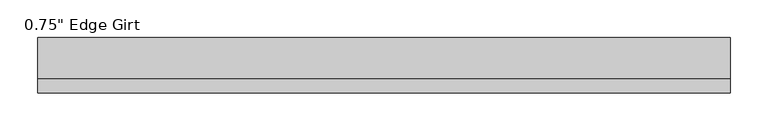
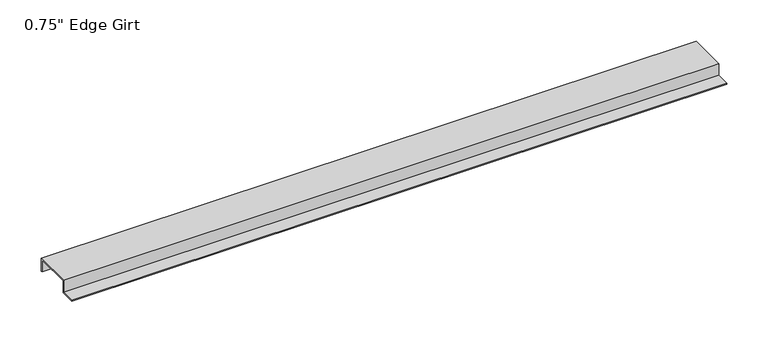
"""IFC4 building model written with IfcOpenShell, lengths in millimetres: proxy geometry."""

from ifc_helpers import new_model, si_unit, frame, origin, place, context, project, spatial, polyline, outline, extrude, source, transform, mapped, element, save


def proxy_ca95f9a0(model_context):
    return source(origin(), model_context, "Body", "SweptSolid", [
        extrude(outline(polyline([(-46.0559645, -17.4375), (-46.0559645, -15.8242), (-27.0129, -15.8242), (-27.0129, 1.6129), (27.0129, 1.6129), (27.0129, -17.4375), (25.4, -17.4375), (25.4, 0.0), (-25.4, 0.0), (-25.4, -17.4375), (-46.0559645, -17.4375)])), frame((0.0, 0.0, 0.0), z_axis=(1.0, 0.0, 0.0), x_axis=(0.0, 1.0, 0.0)), (0.0, 0.0, 1.0), 914.4),
    ])


if __name__ == "__main__":
    model = new_model("IFC4")
    model_context = context("Model", 3, world=origin())
    ifc_project = project(units=[si_unit("LENGTHUNIT", "METRE", prefix="MILLI")], contexts=[model_context])
    site = spatial("IfcSite", under=ifc_project)
    building = spatial("IfcBuilding", under=site)
    placement = place(None, origin())
    proxy_shape = proxy_ca95f9a0(model_context)
    element("IfcBuildingElementProxy", 1, Name="0.75\" Edge Girt", ObjectType="0.75\" Edge Girt", at=placement, inside=building, context=model_context, shape_type="MappedRepresentation", body=[
        mapped(proxy_shape, transform((0.0, 0.0, 0.0), x_axis=(1.0, 0.0, 0.0), y_axis=(0.0, 1.0, 0.0), z_axis=(0.0, 0.0, 1.0))),
    ])
    save(model, "model.ifc")
